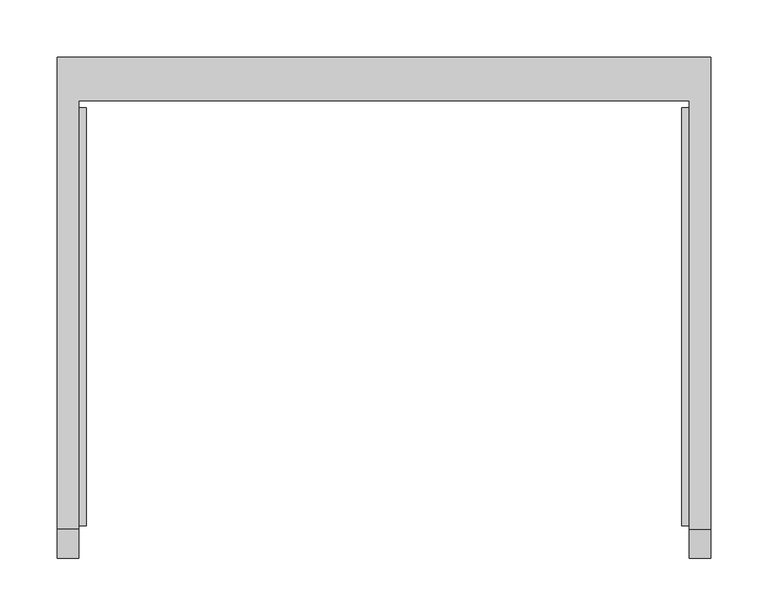
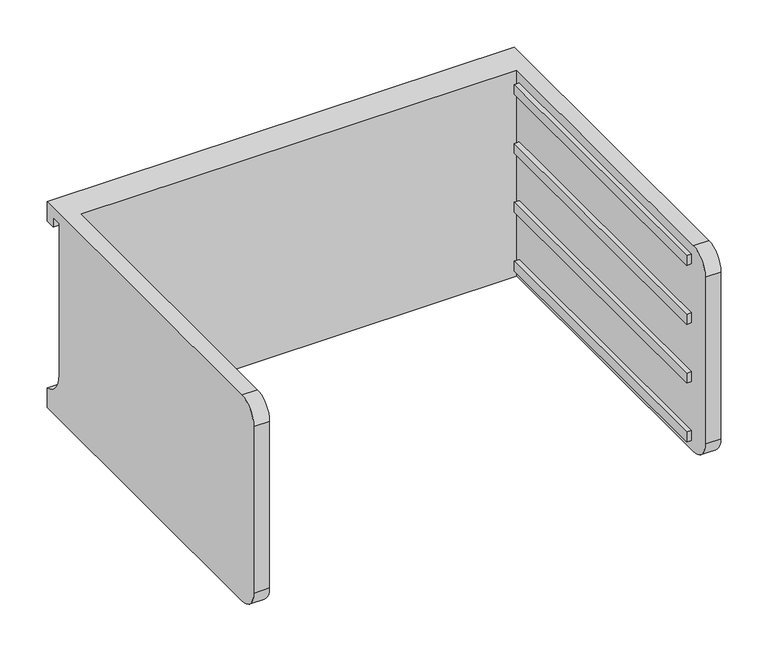
"""IFC4 building model written with IfcOpenShell, lengths in millimetres: furniture geometry."""

from ifc_helpers import new_model, si_unit, frame, origin, place, context, project, spatial, polyline, circle_curve, outline, extrude, source, transform, mapped, element, save
from ifc_brep_helpers import plane_surface, cylinder_surface, revolved_surface, advanced_brep


def furniture_eb1503c3(model_context):
    return source(origin(), model_context, "Body", "SolidModel", [
        advanced_brep(
        [(-171.7622951, -331.6523397, 796.33572), (-171.7622951, -357.0523397, 770.93572), (-171.7622951, -357.0523397, 555.03572), (-171.7622951, -331.6523397, 529.63572), (-171.7622951, 43.0421197, 529.63572), (-171.7622951, 43.0421197, 796.33572), (-190.8122951, -331.6523397, 529.63572), (-190.8122951, -357.0523397, 555.03572), (-190.8122951, -357.0523397, 770.93572), (-190.8122951, -331.6523397, 796.33572), (-190.8122951, 81.0976603, 796.33572), (-190.8122951, 81.0976603, 770.93572), (-190.8122951, 68.4421197, 770.93572), (-190.8122951, 68.4421197, 783.63572), (-190.8122951, 55.7421197, 783.63572), (-190.8122951, 55.7421197, 587.58074), (-190.8122951, 81.0976603, 555.03572), (-190.8122951, 81.0976603, 529.63572), (380.6877049, 81.0976603, 529.63572), (380.6877049, -331.6523397, 529.63572), (361.6377049, -331.6523397, 529.63572), (361.6377049, 43.0421197, 529.63572), (361.6377049, 43.0421197, 796.33572), (361.6377049, -331.6523397, 796.33572), (380.6877049, -331.6523397, 796.33572), (380.6877049, 81.0976603, 796.33572), (380.6877049, 81.0976603, 555.03572), (380.6877049, 55.7421197, 587.58074), (380.6877049, 55.7421197, 783.63572), (380.6877049, 68.4421197, 783.63572), (380.6877049, 68.4421197, 770.93572), (380.6877049, 81.0976603, 770.93572), (380.6877049, -357.0523397, 770.93572), (380.6877049, -357.0523397, 555.03572), (361.6377049, -357.0523397, 555.03572), (361.6377049, -357.0523397, 770.93572)],
        [
            (0, 1, circle_curve(frame((-171.7622951, -331.6523397, 770.93572), z_axis=(1.0, 0.0, 0.0), x_axis=(0.0, 0.0, 1.0)), 25.4)),
            (1, 2),
            (2, 3, circle_curve(frame((-171.7622951, -331.6523397, 555.03572), z_axis=(1.0, 0.0, 0.0), x_axis=(0.0, 0.0, 1.0)), 25.4)),
            (3, 4),
            (4, 5),
            (5, 0),
            (6, 7, circle_curve(frame((-190.8122951, -331.6523397, 555.03572), z_axis=(-1.0, 0.0, 0.0), x_axis=(0.0, 0.0, 1.0)), 25.4)),
            (7, 8),
            (8, 9, circle_curve(frame((-190.8122951, -331.6523397, 770.93572), z_axis=(-1.0, 0.0, 0.0), x_axis=(0.0, 0.0, 1.0)), 25.4)),
            (9, 10),
            (10, 11),
            (11, 12),
            (12, 13),
            (13, 14),
            (14, 15),
            (15, 16, circle_curve(frame((-190.8122951, 89.3064162, 587.58074), z_axis=(1.0, 0.0, 0.0), x_axis=(0.0, 0.0, 1.0)), 33.5642965)),
            (16, 17),
            (17, 6),
            (0, 9),
            (8, 1),
            (7, 2),
            (6, 3),
            (17, 18),
            (18, 19),
            (19, 20),
            (20, 21),
            (21, 4),
            (5, 22),
            (22, 23),
            (23, 24),
            (24, 25),
            (25, 10),
            (18, 26),
            (26, 27, circle_curve(frame((380.6877049, 89.3064162, 587.58074), z_axis=(-1.0, 0.0, 0.0), x_axis=(0.0, 0.0, 1.0)), 33.5642965)),
            (27, 28),
            (28, 29),
            (29, 30),
            (30, 31),
            (31, 25),
            (24, 32, circle_curve(frame((380.6877049, -331.6523397, 770.93572), z_axis=(1.0, 0.0, 0.0), x_axis=(0.0, 0.0, 1.0)), 25.4)),
            (32, 33),
            (33, 19, circle_curve(frame((380.6877049, -331.6523397, 555.03572), z_axis=(1.0, 0.0, 0.0), x_axis=(0.0, 0.0, 1.0)), 25.4)),
            (16, 26),
            (15, 27),
            (14, 28),
            (13, 29),
            (12, 30),
            (11, 31),
            (21, 22),
            (20, 34, circle_curve(frame((361.6377049, -331.6523397, 555.03572), z_axis=(-1.0, 0.0, 0.0), x_axis=(0.0, 0.0, 1.0)), 25.4)),
            (34, 35),
            (35, 23, circle_curve(frame((361.6377049, -331.6523397, 770.93572), z_axis=(-1.0, 0.0, 0.0), x_axis=(0.0, 0.0, 1.0)), 25.4)),
            (35, 32),
            (34, 33),
        ],
        [
            plane_surface(frame((-171.7622951, -331.6523397, 796.33572), z_axis=(1.0, 0.0, 0.0), x_axis=(0.0, -1.0, 0.0))),
            plane_surface(frame((-190.8122951, -331.6523397, 796.33572), z_axis=(-1.0, 0.0, 0.0), x_axis=(0.0, 1.0, 0.0))),
            cylinder_surface(frame((-190.8122951, -331.6523397, 770.93572), z_axis=(1.0, 0.0, 0.0), x_axis=(0.0, 0.0, 1.0)), 25.4),
            plane_surface(frame((-171.7622951, -357.0523397, 770.93572), z_axis=(0.0, -1.0, 0.0), x_axis=(-1.0, 0.0, 0.0))),
            cylinder_surface(frame((-190.8122951, -331.6523397, 555.03572), z_axis=(1.0, 0.0, 0.0), x_axis=(0.0, 0.0, 1.0)), 25.4),
            plane_surface(frame((-171.7622951, -331.6523397, 529.63572), z_axis=(0.0, 0.0, -1.0), x_axis=(-1.0, 0.0, 0.0))),
            plane_surface(frame((-171.7622951, 43.0421197, 796.33572), z_axis=(0.0, 0.0, 1.0), x_axis=(-1.0, 0.0, 0.0))),
            plane_surface(frame((380.6877049, 81.0976603, 555.03572), z_axis=(1.0, 0.0, 0.0), x_axis=(0.0, 0.0, 1.0))),
            plane_surface(frame((380.6877049, 81.0976603, 529.63572), z_axis=(0.0, 1.0, 0.0), x_axis=(-1.0, 0.0, 0.0))),
            revolved_surface(polyline([(-190.8122951, 89.3064162, 621.1450365), (380.68770489999997, 89.3064162, 621.1450365)]), (-190.8122951, 89.3064162, 587.58074), (-1.0, 0.0, 0.0)),
            plane_surface(frame((380.6877049, 55.7421197, 587.58074), z_axis=(0.0, 1.0, 0.0), x_axis=(-1.0, 0.0, 0.0))),
            plane_surface(frame((380.6877049, 55.7421197, 783.63572), z_axis=(0.0, 0.0, -1.0), x_axis=(-1.0, 0.0, 0.0))),
            plane_surface(frame((380.6877049, 68.4421197, 783.63572), z_axis=(0.0, -1.0, 0.0), x_axis=(-1.0, 0.0, 0.0))),
            plane_surface(frame((380.6877049, 68.4421197, 770.93572), z_axis=(0.0, 0.0, -1.0), x_axis=(-1.0, 0.0, 0.0))),
            plane_surface(frame((380.6877049, 81.0976603, 770.93572), z_axis=(0.0, 1.0, 0.0), x_axis=(-1.0, 0.0, 0.0))),
            plane_surface(frame((380.6877049, 43.0421197, 796.33572), z_axis=(0.0, -1.0, 0.0), x_axis=(-1.0, 0.0, 0.0))),
            plane_surface(frame((361.6377049, -331.6523397, 796.33572), z_axis=(-1.0, 0.0, 0.0), x_axis=(0.0, 1.0, 0.0))),
            cylinder_surface(frame((361.6377049, -331.6523397, 770.93572), z_axis=(1.0, 0.0, 0.0), x_axis=(0.0, 0.0, 1.0)), 25.4),
            plane_surface(frame((380.6877049, -357.0523397, 770.93572), z_axis=(0.0, -1.0, 0.0), x_axis=(-1.0, 0.0, 0.0))),
            cylinder_surface(frame((361.6377049, -331.6523397, 555.03572), z_axis=(1.0, 0.0, 0.0), x_axis=(0.0, 0.0, 1.0)), 25.4),
        ],
        [
            (0, [[1, 2, 3, 4, 5, 6]]),
            (1, [[7, 8, 9, 10, 11, 12, 13, 14, 15, 16, 17, 18]]),
            (2, [[-1, 19, -9, 20]]),
            (3, [[-2, -20, -8, 21]]),
            (4, [[-3, -21, -7, 22]]),
            (5, [[-4, -22, -18, 23, 24, 25, 26, 27]]),
            (6, [[-6, 28, 29, 30, 31, 32, -10, -19]]),
            (7, [[-24, 33, 34, 35, 36, 37, 38, 39, -31, 40, 41, 42]]),
            (8, [[-33, -23, -17, 43]]),
            (9, [[-34, -43, -16, 44]]),
            (10, [[-35, -44, -15, 45]]),
            (11, [[-36, -45, -14, 46]]),
            (12, [[-37, -46, -13, 47]]),
            (13, [[-38, -47, -12, 48]]),
            (14, [[-39, -48, -11, -32]]),
            (15, [[-5, -27, 49, -28]]),
            (16, [[-29, -49, -26, 50, 51, 52]]),
            (17, [[-40, -30, -52, 53]]),
            (18, [[-41, -53, -51, 54]]),
            (19, [[-42, -54, -50, -25]]),
        ],
    ),
        extrude(outline(polyline([(355.2877049, -328.4773397), (355.2877049, 36.6921197), (361.6377049, 36.6921197), (361.6377049, -328.4773397), (355.2877049, -328.4773397)])), frame((0.0, 0.0, 618.53572), z_axis=(0.0, 0.0, 1.0), x_axis=(1.0, 0.0, 0.0)), (0.0, 0.0, 1.0), 12.7),
        extrude(outline(polyline([(355.2877049, -328.4773397), (355.2877049, 36.6921197), (361.6377049, 36.6921197), (361.6377049, -328.4773397), (355.2877049, -328.4773397)])), frame((0.0, 0.0, 694.73572), z_axis=(0.0, 0.0, 1.0), x_axis=(1.0, 0.0, 0.0)), (0.0, 0.0, 1.0), 12.7),
        extrude(outline(polyline([(355.2877049, -328.4773397), (355.2877049, 36.6921197), (361.6377049, 36.6921197), (361.6377049, -328.4773397), (355.2877049, -328.4773397)])), frame((0.0, 0.0, 770.93572), z_axis=(0.0, 0.0, 1.0), x_axis=(1.0, 0.0, 0.0)), (0.0, 0.0, 1.0), 12.7),
        extrude(outline(polyline([(355.2877049, -328.4773397), (355.2877049, 36.6921197), (361.6377049, 36.6921197), (361.6377049, -328.4773397), (355.2877049, -328.4773397)])), frame((0.0, 0.0, 542.33572), z_axis=(0.0, 0.0, 1.0), x_axis=(1.0, 0.0, 0.0)), (0.0, 0.0, 1.0), 12.7),
        extrude(outline(polyline([(-171.7622951, -328.4773397), (-171.7622951, 36.6921197), (-165.4122951, 36.6921197), (-165.4122951, -328.4773397), (-171.7622951, -328.4773397)])), frame((0.0, 0.0, 618.53572), z_axis=(0.0, 0.0, 1.0), x_axis=(1.0, 0.0, 0.0)), (0.0, 0.0, 1.0), 12.7),
        extrude(outline(polyline([(-171.7622951, -328.4773397), (-171.7622951, 36.6921197), (-165.4122951, 36.6921197), (-165.4122951, -328.4773397), (-171.7622951, -328.4773397)])), frame((0.0, 0.0, 694.73572), z_axis=(0.0, 0.0, 1.0), x_axis=(1.0, 0.0, 0.0)), (0.0, 0.0, 1.0), 12.7),
        extrude(outline(polyline([(-171.7622951, -328.4773397), (-171.7622951, 36.6921197), (-165.4122951, 36.6921197), (-165.4122951, -328.4773397), (-171.7622951, -328.4773397)])), frame((0.0, 0.0, 770.93572), z_axis=(0.0, 0.0, 1.0), x_axis=(1.0, 0.0, 0.0)), (0.0, 0.0, 1.0), 12.7),
        extrude(outline(polyline([(-171.7622951, -328.4773397), (-171.7622951, 36.6921197), (-165.4122951, 36.6921197), (-165.4122951, -328.4773397), (-171.7622951, -328.4773397)])), frame((0.0, 0.0, 542.33572), z_axis=(0.0, 0.0, 1.0), x_axis=(1.0, 0.0, 0.0)), (0.0, 0.0, 1.0), 12.7),
    ])


if __name__ == "__main__":
    model = new_model("IFC4")
    model_context = context("Model", 3, world=origin())
    ifc_project = project(units=[si_unit("LENGTHUNIT", "METRE", prefix="MILLI")], contexts=[model_context])
    site = spatial("IfcSite", under=ifc_project)
    building = spatial("IfcBuilding", under=site)
    placement = place(None, origin())
    furniture_shape = furniture_eb1503c3(model_context)
    element("IfcFurniture", 1, at=placement, inside=building, context=model_context, shape_type="MappedRepresentation", body=[
        mapped(furniture_shape, transform((0.0, 0.0, 0.0), x_axis=(1.0, 0.0, 0.0), y_axis=(0.0, 1.0, 0.0), z_axis=(0.0, 0.0, 1.0))),
    ])
    save(model, "model.ifc")
